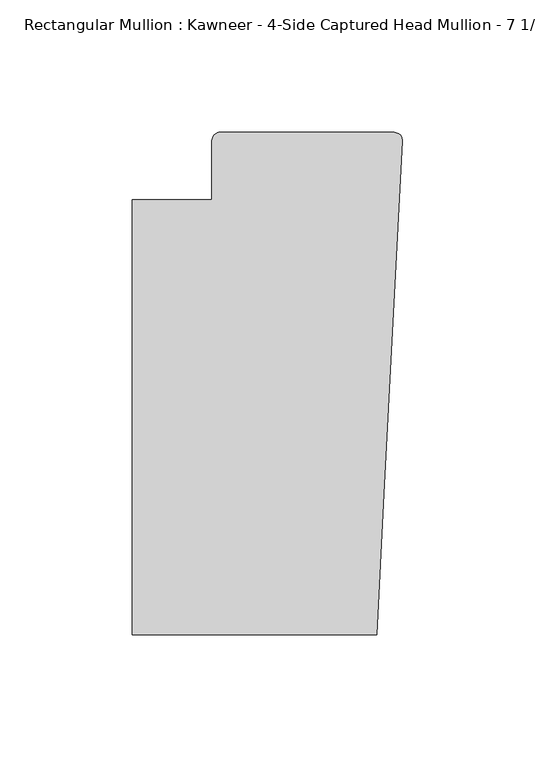
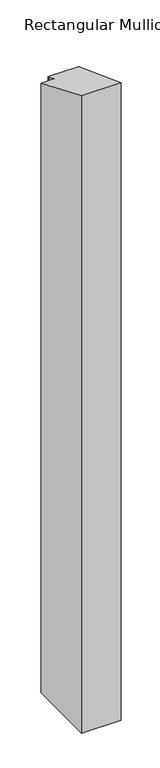
"""IFC4 building model written with IfcOpenShell, lengths in millimetres: member geometry."""

from ifc_helpers import new_model, si_unit, frame, origin, place, context, project, spatial, circle_curve, ellipse_curve, source, transform, mapped, element, save
from ifc_brep_helpers import plane_surface, cylinder_surface, advanced_brep


def member_d6edf2a2(model_context):
    return source(origin(), model_context, "Body", "AdvancedBrep", [
        advanced_brep(
        [(-9.7860662, -151.892, -1513.3454004), (-102.08978, -151.892, -1513.3454004), (-102.08978, 12.7, -1513.3454004), (-71.9739395, 12.7, -1513.3454004), (-71.9739395, 34.9099677, -1513.3454004), (-68.798975, 38.0999944, -1513.3454004), (-3.175, 38.0999944, -1513.3454004), (-0.006635, 34.7198406, -1513.3454004), (-6.9873394, -98.4891117, -1513.3454004), (-6.9873394, -98.4891117, 40.7955258), (-9.7860662, -151.892, 62.9157264), (-0.0061551, 34.7198154, -14.3814289), (-3.175, 38.0999944, -15.7815344), (-68.798975, 38.0999944, -15.7815344), (-71.9739395, 34.9099677, -14.4601821), (-71.9739395, 12.7, -5.2605122), (-102.08978, 12.7, -5.2605122), (-102.08978, -151.892, 62.9157264)],
        [
            (0, 1),
            (1, 2),
            (2, 3),
            (3, 4),
            (4, 5, circle_curve(frame((-68.798975, 34.9249944, -1513.3454004), z_axis=(0.0, 0.0, -1.0), x_axis=(-0.9999888001458095, -0.004732819766726053, 0.0)), 3.175)),
            (5, 6),
            (6, 7, circle_curve(frame((-3.175, 34.9249944, -1513.3454004), z_axis=(0.0, 0.0, -1.0), x_axis=(0.0, 1.0, 0.0)), 3.175)),
            (7, 8),
            (8, 0),
            (9, 10),
            (10, 0),
            (8, 9),
            (11, 9),
            (7, 11),
            (12, 11, ellipse_curve(frame((-3.175, 34.9249944, -14.4664064), z_axis=(0.0, -0.3826834323650882, -0.9238795325112875), x_axis=(0.0, -0.9238795325112877, 0.38268343236508773)), 3.4365952, 3.175)),
            (6, 12),
            (13, 12),
            (5, 13),
            (14, 13, ellipse_curve(frame((-68.798975, 34.9249944, -14.4664064), z_axis=(0.0, -0.3826834323650882, -0.9238795325112875), x_axis=(0.0, -0.9238795325112877, 0.38268343236508773)), 3.4365952, 3.175)),
            (4, 14),
            (15, 14),
            (3, 15),
            (16, 15),
            (2, 16),
            (17, 16),
            (1, 17),
            (10, 17),
        ],
        [
            plane_surface(frame((0.0, -183.0123025, -1513.3454004), z_axis=(0.0, 0.0, -1.0), x_axis=(-1.0, 0.0, 0.0))),
            plane_surface(frame((-9.7860662, -151.892, 0.0), z_axis=(0.9986295347545738, -0.052335956242944896, 0.0), x_axis=(0.0, 0.0, -1.0))),
            plane_surface(frame((-6.9873394, -98.4891117, 0.0), z_axis=(0.9986295346400468, -0.05233595842825238, 0.0), x_axis=(0.0, 0.0, -1.0))),
            cylinder_surface(frame((-3.175, 34.9249944, 0.0), z_axis=(0.0, 0.0, 1.0), x_axis=(0.0, 1.0, 0.0)), 3.175),
            plane_surface(frame((-3.175, 38.0999944, 0.0), z_axis=(0.0, 1.0, 0.0), x_axis=(0.0, 0.0, -1.0))),
            cylinder_surface(frame((-68.798975, 34.9249944, 0.0), z_axis=(0.0, 0.0, 1.0), x_axis=(-0.9999888001458095, -0.004732819766726053, 0.0)), 3.175),
            plane_surface(frame((-71.9739395, 34.9099677, 0.0), z_axis=(-1.0, 0.0, 0.0), x_axis=(0.0, 0.0, -1.0))),
            plane_surface(frame((-71.9739395, 12.7, 0.0), z_axis=(0.0, 1.0, 0.0), x_axis=(0.0, 0.0, -1.0))),
            plane_surface(frame((-102.08978, 12.7, 0.0), z_axis=(-1.0, 0.0, 0.0), x_axis=(0.0, 0.0, -1.0))),
            plane_surface(frame((-102.08978, -151.892, 0.0), z_axis=(0.0, -1.0, 0.0), x_axis=(0.0, 0.0, -1.0))),
            plane_surface(frame((-304.8, 0.0, 0.0), z_axis=(0.0, 0.3826834323650882, 0.9238795325112875), x_axis=(0.0, 0.9238795325112875, -0.3826834323650882))),
        ],
        [
            (0, [[1, 2, 3, 4, 5, 6, 7, 8, 9]]),
            (1, [[10, 11, -9, 12]]),
            (2, [[13, -12, -8, 14]]),
            (3, [[15, -14, -7, 16]]),
            (4, [[17, -16, -6, 18]]),
            (5, [[19, -18, -5, 20]]),
            (6, [[21, -20, -4, 22]]),
            (7, [[23, -22, -3, 24]]),
            (8, [[25, -24, -2, 26]]),
            (9, [[27, -26, -1, -11]]),
            (10, [[-10, -13, -15, -17, -19, -21, -23, -25, -27]]),
        ],
    ),
    ])


if __name__ == "__main__":
    model = new_model("IFC4")
    model_context = context("Model", 3, world=origin())
    ifc_project = project(units=[si_unit("LENGTHUNIT", "METRE", prefix="MILLI")], contexts=[model_context])
    site = spatial("IfcSite", under=ifc_project)
    building = spatial("IfcBuilding", under=site)
    placement = place(None, origin())
    member_shape = member_d6edf2a2(model_context)
    element("IfcMember", 1, ObjectType="Rectangular Mullion : Kawneer - 4-Side Captured Head Mullion - 7 1/2\"", at=placement, inside=building, context=model_context, shape_type="MappedRepresentation", body=[
        mapped(member_shape, transform((0.0, 0.0, 0.0), x_axis=(1.0, 0.0, 0.0), y_axis=(0.0, 1.0, 0.0), z_axis=(0.0, 0.0, 1.0))),
    ])
    save(model, "model.ifc")
